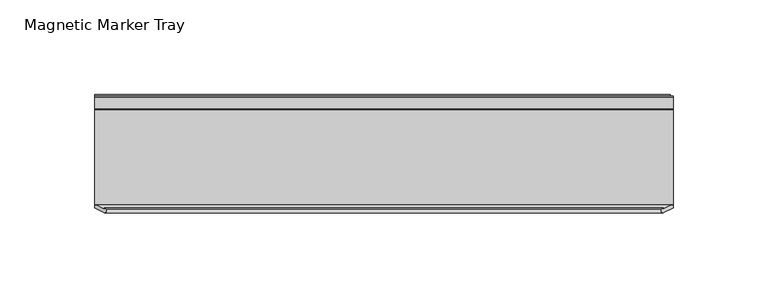
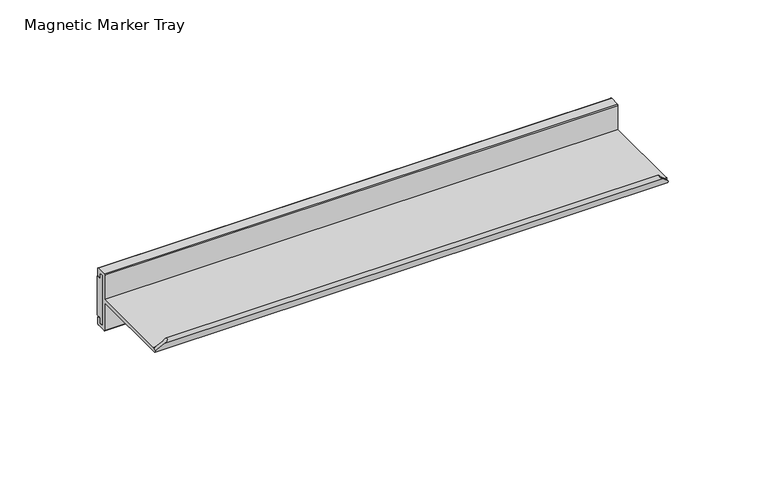
"""IFC4 building model written with IfcOpenShell, lengths in millimetres: furniture geometry, Magnetic Marker Tray."""

from ifc_helpers import new_model, si_unit, frame, origin, place, context, project, spatial, polyline, circle_curve, ellipse_curve, outline, extrude, source, transform, mapped, element, save
from ifc_brep_helpers import plane_surface, cylinder_surface, advanced_brep


def magnetic_marker_tray_f7c5e752(model_context):
    return source(origin(), model_context, "Body", "SolidModel", [
        advanced_brep(
        [(228.1621628, -6.5640661, 725.9323614), (228.1621628, -56.7284459, 725.9323614), (228.1621628, -56.927271, 726.3225776), (228.1621628, -56.927271, 725.0803822), (228.1621628, -58.5506253, 725.0803822), (228.1621628, -57.9493017, 723.900218), (228.1621628, -6.5640661, 723.900218), (228.1621628, -6.5640661, 706.6660687), (228.1621628, -5.8912416, 705.9932442), (228.1621628, -0.2535141, 705.9932442), (228.1621628, 0.4215541, 706.6683124), (228.1621628, 0.4215541, 710.5282492), (228.1621628, -0.2504632, 711.2002665), (228.1621628, -1.61088, 711.2002665), (228.1621628, -1.61088, 708.0253149), (228.1621628, -4.531632, 708.0253149), (228.1621628, -4.531632, 739.7752665), (228.1621628, -1.61088, 739.7752665), (228.1621628, -1.61088, 736.6003149), (228.1621628, -0.2503782, 736.6003149), (228.1621628, 0.4215541, 737.2722472), (228.1621628, 0.4215541, 741.2329883), (228.1621628, -0.1527948, 741.8073372), (228.1621628, -6.0282968, 741.8073372), (228.1621628, -6.5640661, 741.271568), (-76.6378372, -6.5640661, 725.9323614), (-76.6378372, -6.5640661, 741.271568), (-76.6378372, -6.0282968, 741.8073372), (-76.6378372, -0.1527948, 741.8073372), (-76.6378372, 0.4215541, 741.2329883), (-76.6378372, 0.4215541, 737.2722472), (-76.6378372, -0.2503782, 736.6003149), (-76.6378372, -1.61088, 736.6003149), (-76.6378372, -1.61088, 739.7752665), (-76.6378372, -4.531632, 739.7752665), (-76.6378372, -4.531632, 708.0253149), (-76.6378372, -1.61088, 708.0253149), (-76.6378372, -1.61088, 711.2002665), (-76.6378372, -0.2504632, 711.2002665), (-76.6378372, 0.4215541, 710.5282492), (-76.6378372, 0.4215541, 706.6683124), (-76.6378372, -0.2535141, 705.9932442), (-76.6378372, -5.8912416, 705.9932442), (-76.6378372, -6.5640661, 706.6660687), (-76.6378372, -6.5640661, 723.900218), (-76.6378372, -57.9493017, 723.900218), (-76.6378372, -58.6904012, 725.3547077), (-76.6378372, -56.927271, 725.3547077), (-76.6378372, -56.927271, 726.3225776), (-76.6378372, -56.7284459, 725.9323614), (-75.6699673, -56.927271, 726.3225776), (-72.0900081, -58.7513513, 729.9025368), (223.3400081, -58.7513513, 729.9025368), (226.9199673, -56.927271, 726.3225776), (-70.4774233, -59.2326435, 731.5151216), (221.7274233, -59.2326435, 731.5151216), (-72.0533528, -61.0263127, 729.9391922), (223.3033528, -61.0263127, 729.9391922)],
        [
            (0, 1),
            (1, 2),
            (2, 3),
            (3, 4),
            (4, 5),
            (5, 6),
            (6, 7),
            (7, 8, circle_curve(frame((228.1621628, -5.8912416, 706.6660687), z_axis=(1.0, 0.0, 0.0), x_axis=(0.0, -1.0, 0.0)), 0.6728245)),
            (8, 9),
            (9, 10, circle_curve(frame((228.1621628, -0.2535141, 706.6683124), z_axis=(1.0, 0.0, 0.0), x_axis=(0.0, -1.0, 0.0)), 0.6750682)),
            (10, 11),
            (11, 12, circle_curve(frame((228.1621628, -0.2504632, 710.5282492), z_axis=(1.0, 0.0, 0.0), x_axis=(0.0, -1.0, 0.0)), 0.6720173)),
            (12, 13),
            (13, 14),
            (14, 15),
            (15, 16),
            (16, 17),
            (17, 18),
            (18, 19),
            (19, 20, circle_curve(frame((228.1621628, -0.2503782, 737.2722472), z_axis=(1.0, 0.0, 0.0), x_axis=(0.0, -1.0, 0.0)), 0.6719323)),
            (20, 21),
            (21, 22, circle_curve(frame((228.1621628, -0.1527948, 741.2329883), z_axis=(1.0, 0.0, 0.0), x_axis=(0.0, -1.0, 0.0)), 0.5743489)),
            (22, 23),
            (23, 24, circle_curve(frame((228.1621628, -6.0282968, 741.271568), z_axis=(1.0, 0.0, 0.0), x_axis=(0.0, -1.0, 0.0)), 0.5357692)),
            (24, 0),
            (25, 26),
            (26, 27, circle_curve(frame((-76.6378372, -6.0282968, 741.271568), z_axis=(-1.0, 0.0, 0.0), x_axis=(0.0, -1.0, 0.0)), 0.5357692)),
            (27, 28),
            (28, 29, circle_curve(frame((-76.6378372, -0.1527948, 741.2329883), z_axis=(-1.0, 0.0, 0.0), x_axis=(0.0, -1.0, 0.0)), 0.5743489)),
            (29, 30),
            (30, 31, circle_curve(frame((-76.6378372, -0.2503782, 737.2722472), z_axis=(-1.0, 0.0, 0.0), x_axis=(0.0, -1.0, 0.0)), 0.6719323)),
            (31, 32),
            (32, 33),
            (33, 34),
            (34, 35),
            (35, 36),
            (36, 37),
            (37, 38),
            (38, 39, circle_curve(frame((-76.6378372, -0.2504632, 710.5282492), z_axis=(-1.0, 0.0, 0.0), x_axis=(0.0, -1.0, 0.0)), 0.6720173)),
            (39, 40),
            (40, 41, circle_curve(frame((-76.6378372, -0.2535141, 706.6683124), z_axis=(-1.0, 0.0, 0.0), x_axis=(0.0, -1.0, 0.0)), 0.6750682)),
            (41, 42),
            (42, 43, circle_curve(frame((-76.6378372, -5.8912416, 706.6660687), z_axis=(-1.0, 0.0, 0.0), x_axis=(0.0, -1.0, 0.0)), 0.6728245)),
            (43, 44),
            (44, 45),
            (45, 46),
            (46, 47),
            (47, 48),
            (48, 49),
            (49, 25),
            (0, 25),
            (49, 1),
            (48, 50),
            (50, 51),
            (51, 52),
            (52, 53),
            (53, 2),
            (51, 54, ellipse_curve(frame((-71.5810243, -59.9881392, 730.4115207), z_axis=(0.7071067811865482, 0.0, -0.7071067811865469), x_axis=(0.7071067811865468, 0.0, 0.7071067811865482)), 1.8914063, 1.3374262)),
            (54, 55),
            (55, 52, ellipse_curve(frame((222.8310243, -59.9881392, 730.4115207), z_axis=(-0.7071067811865688, 0.0, -0.7071067811865263), x_axis=(0.7071067811865261, 0.0, -0.7071067811865688)), 1.8914063, 1.3374262)),
            (54, 56, ellipse_curve(frame((-71.4940342, -59.9285881, 730.4985108), z_axis=(0.7071067811865482, 0.0, -0.7071067811865469), x_axis=(0.7071067811865468, 0.0, 0.7071067811865482)), 1.7423183, 1.2320051)),
            (56, 57),
            (57, 55, ellipse_curve(frame((222.7440342, -59.9285881, 730.4985108), z_axis=(-0.7071067811865688, 0.0, -0.7071067811865263), x_axis=(0.7071067811865261, 0.0, -0.7071067811865688)), 1.7423183, 1.2320051)),
            (45, 5),
            (4, 57),
            (56, 46),
            (44, 6),
            (43, 7),
            (42, 8),
            (41, 9),
            (40, 10),
            (39, 11),
            (38, 12),
            (37, 13),
            (36, 14),
            (35, 15),
            (34, 16),
            (33, 17),
            (32, 18),
            (31, 19),
            (30, 20),
            (29, 21),
            (28, 22),
            (27, 23),
            (26, 24),
            (47, 50),
            (53, 3),
        ],
        [
            plane_surface(frame((228.1621628, -6.5640661, 725.9323614), z_axis=(1.0, 0.0, 0.0), x_axis=(0.0, -1.0, 0.0))),
            plane_surface(frame((-76.6378372, -6.5640661, 725.9323614), z_axis=(-1.0, 0.0, 0.0), x_axis=(0.0, 1.0, 0.0))),
            plane_surface(frame((228.1621628, -6.5640661, 725.9323614), z_axis=(0.0, 0.0, 1.0), x_axis=(-1.0, 0.0, 0.0))),
            plane_surface(frame((228.1621628, -56.7284459, 725.9323614), z_axis=(0.0, 0.8910065241883705, 0.4539904997395416), x_axis=(-1.0, 0.0, 0.0))),
            cylinder_surface(frame((-76.6378372, -59.9881392, 730.4115207), z_axis=(1.0, 0.0, 0.0), x_axis=(0.0, -1.0, 0.0)), 1.3374262),
            cylinder_surface(frame((-76.6378372, -59.9285881, 730.4985108), z_axis=(1.0, 0.0, 0.0), x_axis=(0.0, -1.0, 0.0)), 1.2320051),
            plane_surface(frame((228.1621628, -61.0263127, 729.9391922), z_axis=(0.0, -0.8910065241883723, -0.45399049973953803), x_axis=(-1.0, 0.0, 0.0))),
            plane_surface(frame((228.1621628, -57.9493017, 723.900218), z_axis=(0.0, 0.0, -1.0), x_axis=(-1.0, 0.0, 0.0))),
            plane_surface(frame((228.1621628, -6.5640661, 723.900218), z_axis=(0.0, -1.0, 0.0), x_axis=(-1.0, 0.0, 0.0))),
            cylinder_surface(frame((-76.6378372, -5.8912416, 706.6660687), z_axis=(1.0, 0.0, 0.0), x_axis=(0.0, -1.0, 0.0)), 0.6728245),
            plane_surface(frame((228.1621628, -5.8912416, 705.9932442), z_axis=(0.0, 0.0, -1.0), x_axis=(-1.0, 0.0, 0.0))),
            cylinder_surface(frame((-76.6378372, -0.2535141, 706.6683124), z_axis=(1.0, 0.0, 0.0), x_axis=(0.0, -1.0, 0.0)), 0.6750682),
            plane_surface(frame((228.1621628, 0.4215541, 706.6683124), z_axis=(0.0, 1.0, 0.0), x_axis=(-1.0, 0.0, 0.0))),
            cylinder_surface(frame((-76.6378372, -0.2504632, 710.5282492), z_axis=(1.0, 0.0, 0.0), x_axis=(0.0, -1.0, 0.0)), 0.6720173),
            plane_surface(frame((228.1621628, -0.2504632, 711.2002665), z_axis=(0.0, 0.0, 1.0), x_axis=(-1.0, 0.0, 0.0))),
            plane_surface(frame((228.1621628, -1.61088, 711.2002665), z_axis=(0.0, -1.0, 0.0), x_axis=(-1.0, 0.0, 0.0))),
            plane_surface(frame((228.1621628, -1.61088, 708.0253149), z_axis=(0.0, 0.0, 1.0), x_axis=(-1.0, 0.0, 0.0))),
            plane_surface(frame((228.1621628, -4.531632, 708.0253149), z_axis=(0.0, 1.0, 0.0), x_axis=(-1.0, 0.0, 0.0))),
            plane_surface(frame((228.1621628, -4.531632, 739.7752665), z_axis=(0.0, 0.0, -1.0), x_axis=(-1.0, 0.0, 0.0))),
            plane_surface(frame((228.1621628, -1.61088, 739.7752665), z_axis=(0.0, -1.0, 0.0), x_axis=(-1.0, 0.0, 0.0))),
            plane_surface(frame((228.1621628, -1.61088, 736.6003149), z_axis=(0.0, 0.0, -1.0), x_axis=(-1.0, 0.0, 0.0))),
            cylinder_surface(frame((-76.6378372, -0.2503782, 737.2722472), z_axis=(1.0, 0.0, 0.0), x_axis=(0.0, -1.0, 0.0)), 0.6719323),
            plane_surface(frame((228.1621628, 0.4215541, 737.2722472), z_axis=(0.0, 1.0, 0.0), x_axis=(-1.0, 0.0, 0.0))),
            cylinder_surface(frame((-76.6378372, -0.1527948, 741.2329883), z_axis=(1.0, 0.0, 0.0), x_axis=(0.0, -1.0, 0.0)), 0.5743489),
            plane_surface(frame((228.1621628, -0.1527948, 741.8073372), z_axis=(0.0, 0.0, 1.0), x_axis=(-1.0, 0.0, 0.0))),
            cylinder_surface(frame((-76.6378372, -6.0282968, 741.271568), z_axis=(1.0, 0.0, 0.0), x_axis=(0.0, -1.0, 0.0)), 0.5357692),
            plane_surface(frame((228.1621628, -6.5640661, 741.271568), z_axis=(0.0, -1.0, 0.0), x_axis=(-1.0, 0.0, 0.0))),
            plane_surface(frame((-78.7072263, -56.927271, 723.2853186), z_axis=(0.0, -1.0, 0.0), x_axis=(0.0, 0.0, 1.0))),
            plane_surface(frame((-69.1487278, -56.927271, 732.8438171), z_axis=(-0.7071067811865482, 0.0, 0.7071067811865469), x_axis=(0.0, -1.0, 0.0))),
            plane_surface(frame((229.9572263, -56.927271, 723.2853186), z_axis=(0.7071067811865688, 0.0, 0.7071067811865263), x_axis=(0.0, -1.0, 0.0))),
        ],
        [
            (0, [[1, 2, 3, 4, 5, 6, 7, 8, 9, 10, 11, 12, 13, 14, 15, 16, 17, 18, 19, 20, 21, 22, 23, 24, 25]]),
            (1, [[26, 27, 28, 29, 30, 31, 32, 33, 34, 35, 36, 37, 38, 39, 40, 41, 42, 43, 44, 45, 46, 47, 48, 49, 50]]),
            (2, [[-1, 51, -50, 52]]),
            (3, [[-52, -49, 53, 54, 55, 56, 57, -2]]),
            (4, [[-55, 58, 59, 60]]),
            (5, [[-59, 61, 62, 63]]),
            (6, [[64, -5, 65, -62, 66, -46]]),
            (7, [[-6, -64, -45, 67]]),
            (8, [[-7, -67, -44, 68]]),
            (9, [[-8, -68, -43, 69]]),
            (10, [[-9, -69, -42, 70]]),
            (11, [[-10, -70, -41, 71]]),
            (12, [[-11, -71, -40, 72]]),
            (13, [[-12, -72, -39, 73]]),
            (14, [[-13, -73, -38, 74]]),
            (15, [[-14, -74, -37, 75]]),
            (16, [[-15, -75, -36, 76]]),
            (17, [[-16, -76, -35, 77]]),
            (18, [[-17, -77, -34, 78]]),
            (19, [[-18, -78, -33, 79]]),
            (20, [[-19, -79, -32, 80]]),
            (21, [[-20, -80, -31, 81]]),
            (22, [[-21, -81, -30, 82]]),
            (23, [[-22, -82, -29, 83]]),
            (24, [[-23, -83, -28, 84]]),
            (25, [[-24, -84, -27, 85]]),
            (26, [[-25, -85, -26, -51]]),
            (27, [[86, -53, -48]]),
            (27, [[87, -3, -57]]),
            (28, [[-86, -47, -66, -61, -58, -54]]),
            (29, [[-87, -56, -60, -63, -65, -4]]),
        ],
    ),
        extrude(outline(polyline([(1.1831355, 736.0922064), (1.1831355, 711.7082296), (-1.9922521, 711.7082296), (-1.9922521, 708.2792965), (-4.531632, 708.2792965), (-4.531632, 739.5212849), (-1.9922521, 739.5212849), (-1.9922521, 736.0922064), (1.1831355, 736.0922064)])), frame((-76.6378372, 0.0, 0.0), z_axis=(1.0, 0.0, 0.0), x_axis=(0.0, 1.0, 0.0)), (0.0, 0.0, 1.0), 303.2756744),
    ])


if __name__ == "__main__":
    model = new_model("IFC4")
    model_context = context("Model", 3, world=origin())
    ifc_project = project(units=[si_unit("LENGTHUNIT", "METRE", prefix="MILLI")], contexts=[model_context])
    site = spatial("IfcSite", under=ifc_project)
    building = spatial("IfcBuilding", under=site)
    placement = place(None, origin())
    magnetic_marker_tray_shape = magnetic_marker_tray_f7c5e752(model_context)
    element("IfcFurniture", 1, ObjectType="Magnetic Marker Tray", at=placement, inside=building, context=model_context, shape_type="MappedRepresentation", body=[
        mapped(magnetic_marker_tray_shape, transform((0.0, 0.0, 0.0), x_axis=(1.0, 0.0, 0.0), y_axis=(0.0, 1.0, 0.0), z_axis=(0.0, 0.0, 1.0))),
    ])
    save(model, "model.ifc")
